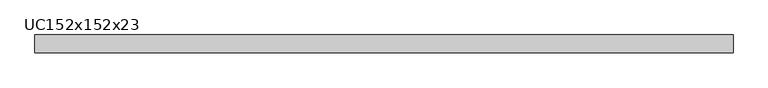
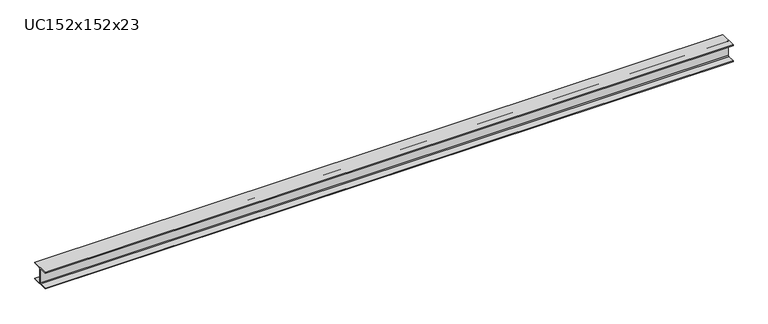
"""IFC4 building model written with IfcOpenShell, lengths in millimetres: beam geometry, UC152x152x23."""

from ifc_helpers import new_model, si_unit, point, frame, frame_2d, origin, place, context, project, spatial, polyline, circle_curve, trimmed, segment, composite_curve, outline, extrude, source, transform, mapped, element, save


def uc152x152x23_9cd0fcc7(model_context):
    return source(origin(), model_context, "Body", "SweptSolid", [
        extrude(outline(composite_curve([segment(polyline([(76.1, -69.4), (76.1, -76.2), (-76.1, -76.2), (-76.1, -69.4), (-10.5, -69.4)]), True, "CONTINUOUS"), segment(trimmed(circle_curve(frame_2d((-10.5, -61.8)), 7.6), [point((-10.5, -69.4))], [point((-2.9, -61.8))], True, "CARTESIAN"), True, "CONTINUOUS"), segment(polyline([(-2.9, -61.8), (-2.9, 61.8)]), True, "CONTINUOUS"), segment(trimmed(circle_curve(frame_2d((-10.5, 61.8)), 7.6), [point((-2.9, 61.8))], [point((-10.5, 69.4))], True, "CARTESIAN"), True, "CONTINUOUS"), segment(polyline([(-10.5, 69.4), (-76.1, 69.4), (-76.1, 76.2), (76.1, 76.2), (76.1, 69.4), (10.5, 69.4)]), True, "CONTINUOUS"), segment(trimmed(circle_curve(frame_2d((10.5, 61.8)), 7.6), [point((10.5, 69.4))], [point((2.9, 61.8))], True, "CARTESIAN"), True, "CONTINUOUS"), segment(polyline([(2.9, 61.8), (2.9, -61.8)]), True, "CONTINUOUS"), segment(trimmed(circle_curve(frame_2d((10.5, -61.8)), 7.6), [point((2.9, -61.8))], [point((10.5, -69.4))], True, "CARTESIAN"), True, "CONTINUOUS"), segment(polyline([(10.5, -69.4), (76.1, -69.4)]), True, "CONTINUOUS")], self_intersect=False)), frame((-2977.5, 0.0, 0.0), z_axis=(1.0, 0.0, 0.0), x_axis=(0.0, 1.0, 0.0)), (0.0, 0.0, 1.0), 5955.0),
    ])


if __name__ == "__main__":
    model = new_model("IFC4")
    model_context = context("Model", 3, world=origin())
    ifc_project = project(units=[si_unit("LENGTHUNIT", "METRE", prefix="MILLI")], contexts=[model_context])
    site = spatial("IfcSite", under=ifc_project)
    building = spatial("IfcBuilding", under=site)
    placement = place(None, origin())
    uc152x152x23_shape = uc152x152x23_9cd0fcc7(model_context)
    element("IfcBeam", 1, ObjectType="UC152x152x23", at=placement, inside=building, context=model_context, shape_type="MappedRepresentation", body=[
        mapped(uc152x152x23_shape, transform((0.0, 0.0, 0.0), x_axis=(1.0, 0.0, 0.0), y_axis=(0.0, 1.0, 0.0), z_axis=(0.0, 0.0, 1.0))),
    ])
    save(model, "model.ifc")
